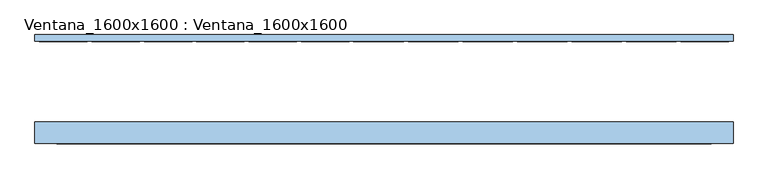
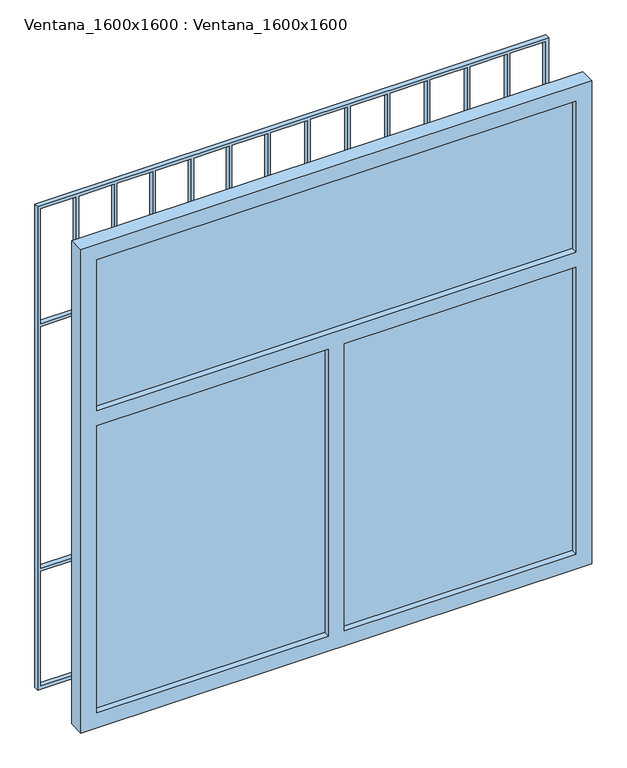
"""IFC4 building model written with IfcOpenShell, lengths in millimetres: window geometry, Ventana_1600x1600 : Ventana_1600x1600."""

from ifc_helpers import new_model, si_unit, frame, origin, place, context, project, spatial, polyline, outline, extrude, source, transform, mapped, element, save


def ventana_1600x1600_ventana_1600x1600_a2f5ecc7(model_context):
    return source(origin(), model_context, "Body", "SweptSolid", [
        extrude(outline(polyline([(750.0, -105.0), (25.0, -105.0), (25.0, -95.0), (750.0, -95.0), (750.0, -105.0)])), frame((0.0, 0.0, 850.0), z_axis=(0.0, 0.0, 1.0), x_axis=(1.0, 0.0, 0.0)), (0.0, 0.0, 1.0), 950.0),
        extrude(outline(polyline([(750.0, -105.0), (-750.0, -105.0), (-750.0, -95.0), (750.0, -95.0), (750.0, -105.0)])), frame((0.0, 0.0, 1850.0), z_axis=(0.0, 0.0, 1.0), x_axis=(1.0, 0.0, 0.0)), (0.0, 0.0, 1.0), 500.0),
        extrude(outline(polyline([(-25.0, -105.0), (-750.0, -105.0), (-750.0, -95.0), (-25.0, -95.0), (-25.0, -105.0)])), frame((0.0, 0.0, 850.0), z_axis=(0.0, 0.0, 1.0), x_axis=(1.0, 0.0, 0.0)), (0.0, 0.0, 1.0), 950.0),
        extrude(outline(polyline([(2400.0, -800.0), (800.0, -800.0), (800.0, 800.0), (2400.0, 800.0), (2400.0, -800.0)]), holes=[polyline([(1800.0, 750.0), (850.0, 750.0), (850.0, 25.0), (1800.0, 25.0), (1800.0, 750.0)]), polyline([(1800.0, -25.0), (850.0, -25.0), (850.0, -750.0), (1800.0, -750.0), (1800.0, -25.0)]), polyline([(2350.0, -750.0), (2350.0, 750.0), (1850.0, 750.0), (1850.0, -750.0), (2350.0, -750.0)])]), frame((0.0, -125.0, 0.0), z_axis=(0.0, 1.0, 0.0), x_axis=(0.0, 0.0, 1.0)), (0.0, 0.0, 1.0), 50.0),
        extrude(outline(polyline([(2400.0, 800.0), (2400.0, -800.0), (800.0, -800.0), (800.0, 800.0), (2400.0, 800.0)]), holes=[polyline([(1190.0, 790.0), (810.0, 790.0), (810.0, 680.0), (1190.0, 680.0), (1190.0, 790.0)]), polyline([(810.0, 670.0), (810.0, 555.0), (1595.0, 555.0), (1595.0, 670.0), (810.0, 670.0)]), polyline([(1190.0, 545.0), (810.0, 545.0), (810.0, 430.0), (1190.0, 430.0), (1190.0, 545.0)]), polyline([(810.0, 420.0), (810.0, 305.0), (1595.0, 305.0), (1595.0, 420.0), (810.0, 420.0)]), polyline([(810.0, 295.0), (810.0, 180.0), (1190.0, 180.0), (1190.0, 295.0), (810.0, 295.0)]), polyline([(1595.0, 170.0), (810.0, 170.0), (810.0, 55.0), (1595.0, 55.0), (1595.0, 170.0)]), polyline([(810.0, 45.0), (810.0, -70.0), (1190.0, -70.0), (1190.0, 45.0), (810.0, 45.0)]), polyline([(810.0, -80.0), (810.0, -190.0), (1595.0, -190.0), (1595.0, -80.0), (810.0, -80.0)]), polyline([(810.0, -200.0), (810.0, -310.0), (1190.0, -310.0), (1190.0, -200.0), (810.0, -200.0)]), polyline([(810.0, -320.0), (810.0, -430.0), (1595.0, -430.0), (1595.0, -320.0), (810.0, -320.0)]), polyline([(810.0, -440.0), (810.0, -550.0), (1190.0, -550.0), (1190.0, -440.0), (810.0, -440.0)]), polyline([(810.0, -560.0), (810.0, -670.0), (1595.0, -670.0), (1595.0, -560.0), (810.0, -560.0)]), polyline([(810.0, -680.0), (810.0, -790.0), (1190.0, -790.0), (1190.0, -680.0), (810.0, -680.0)]), polyline([(2390.0, 680.0), (2390.0, 790.0), (2010.0, 790.0), (2010.0, 680.0), (2390.0, 680.0)]), polyline([(1605.0, -80.0), (1605.0, -190.0), (2390.0, -190.0), (2390.0, -80.0), (1605.0, -80.0)]), polyline([(2000.0, 45.0), (1200.0, 45.0), (1200.0, -70.0), (2000.0, -70.0), (2000.0, 45.0)]), polyline([(2010.0, 45.0), (2010.0, -70.0), (2390.0, -70.0), (2390.0, 45.0), (2010.0, 45.0)]), polyline([(1605.0, 670.0), (1605.0, 555.0), (2390.0, 555.0), (2390.0, 670.0), (1605.0, 670.0)]), polyline([(2010.0, 545.0), (2010.0, 430.0), (2390.0, 430.0), (2390.0, 545.0), (2010.0, 545.0)]), polyline([(2010.0, 295.0), (2010.0, 180.0), (2390.0, 180.0), (2390.0, 295.0), (2010.0, 295.0)]), polyline([(1605.0, 170.0), (1605.0, 55.0), (2390.0, 55.0), (2390.0, 170.0), (1605.0, 170.0)]), polyline([(1200.0, 545.0), (1200.0, 430.0), (2000.0, 430.0), (2000.0, 545.0), (1200.0, 545.0)]), polyline([(1200.0, 790.0), (1200.0, 680.0), (2000.0, 680.0), (2000.0, 790.0), (1200.0, 790.0)]), polyline([(2000.0, 295.0), (1200.0, 295.0), (1200.0, 180.0), (2000.0, 180.0), (2000.0, 295.0)]), polyline([(1605.0, 420.0), (1605.0, 305.0), (2390.0, 305.0), (2390.0, 420.0), (1605.0, 420.0)]), polyline([(2000.0, -200.0), (1200.0, -200.0), (1200.0, -310.0), (2000.0, -310.0), (2000.0, -200.0)]), polyline([(2010.0, -200.0), (2010.0, -310.0), (2390.0, -310.0), (2390.0, -200.0), (2010.0, -200.0)]), polyline([(1605.0, -320.0), (1605.0, -430.0), (2390.0, -430.0), (2390.0, -320.0), (1605.0, -320.0)]), polyline([(2000.0, -440.0), (1200.0, -440.0), (1200.0, -550.0), (2000.0, -550.0), (2000.0, -440.0)]), polyline([(2010.0, -440.0), (2010.0, -550.0), (2390.0, -550.0), (2390.0, -440.0), (2010.0, -440.0)]), polyline([(1605.0, -560.0), (1605.0, -670.0), (2390.0, -670.0), (2390.0, -560.0), (1605.0, -560.0)]), polyline([(2000.0, -680.0), (1200.0, -680.0), (1200.0, -790.0), (2000.0, -790.0), (2000.0, -680.0)]), polyline([(2010.0, -680.0), (2010.0, -790.0), (2390.0, -790.0), (2390.0, -680.0), (2010.0, -680.0)])]), frame((0.0, 110.0, 0.0), z_axis=(0.0, 1.0, 0.0), x_axis=(0.0, 0.0, 1.0)), (0.0, 0.0, 1.0), 15.0),
    ])


if __name__ == "__main__":
    model = new_model("IFC4")
    model_context = context("Model", 3, world=origin())
    ifc_project = project(units=[si_unit("LENGTHUNIT", "METRE", prefix="MILLI")], contexts=[model_context])
    site = spatial("IfcSite", under=ifc_project)
    building = spatial("IfcBuilding", under=site)
    placement = place(None, origin())
    ventana_1600x1600_ventana_1600x1600_shape = ventana_1600x1600_ventana_1600x1600_a2f5ecc7(model_context)
    element("IfcWindow", 1, ObjectType="Ventana_1600x1600 : Ventana_1600x1600", at=placement, inside=building, context=model_context, shape_type="MappedRepresentation", body=[
        mapped(ventana_1600x1600_ventana_1600x1600_shape, transform((0.0, 0.0, 0.0), x_axis=(1.0, 0.0, 0.0), y_axis=(0.0, 1.0, 0.0), z_axis=(0.0, 0.0, 1.0))),
    ])
    save(model, "model.ifc")
